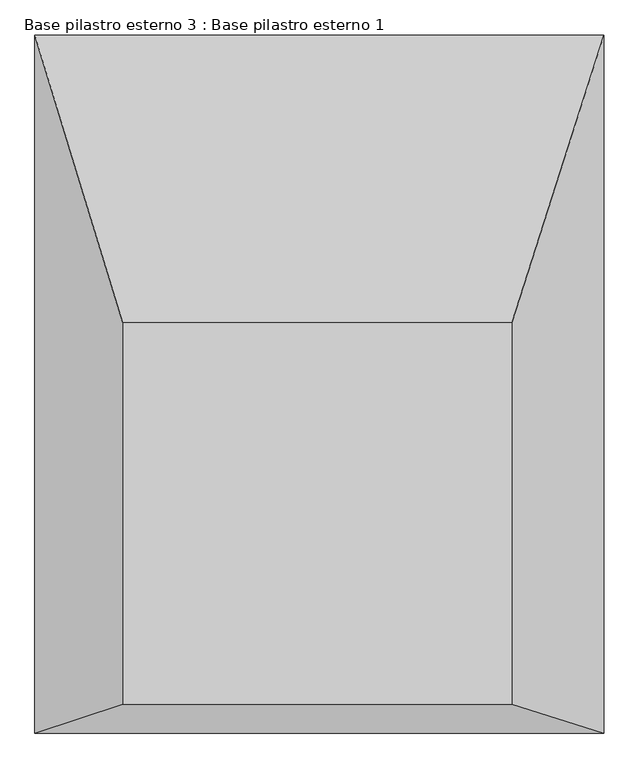
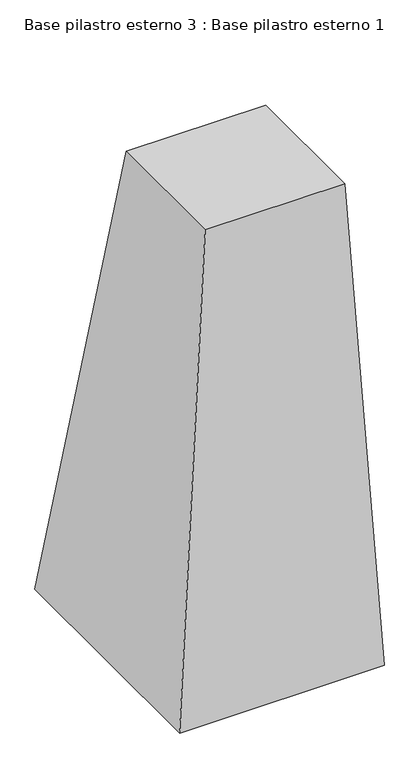
"""IFC4 building model written with IfcOpenShell, lengths in millimetres: column geometry, Base pilastro esterno 3 : Base pilastro esterno 1."""

from ifc_helpers import new_model, si_unit, origin, place, context, project, spatial, faceted_brep, source, transform, mapped, element, save


def base_pilastro_esterno_3_base_pilastro_esterno_1_827131f4(model_context):
    return source(origin(), model_context, "Body", "Brep", [
        faceted_brep([(-81464.6560049, 123740.035984, -277.4358654), (-80861.6607991, 123740.035984, -277.4358654), (-80861.6607991, 124330.2918544, -277.4358654), (-81464.6560049, 124330.2918544, -277.4358654), (-81600.5422484, 123695.5650876, -2496.9800423), (-81600.5422484, 124776.1685911, -2496.9800423), (-80718.6936084, 124776.1685911, -2496.9800423), (-80718.6936084, 123695.5650876, -2496.9800423)], [[[0, 1, 2, 3]], [[4, 5, 6, 7]], [[4, 7, 1, 0]], [[7, 6, 2, 1]], [[6, 5, 3, 2]], [[5, 4, 0, 3]]]),
    ])


if __name__ == "__main__":
    model = new_model("IFC4")
    model_context = context("Model", 3, world=origin())
    ifc_project = project(units=[si_unit("LENGTHUNIT", "METRE", prefix="MILLI")], contexts=[model_context])
    site = spatial("IfcSite", under=ifc_project)
    building = spatial("IfcBuilding", under=site)
    placement = place(None, origin())
    base_pilastro_esterno_3_base_pilastro_esterno_1_shape = base_pilastro_esterno_3_base_pilastro_esterno_1_827131f4(model_context)
    element("IfcColumn", 1, ObjectType="Base pilastro esterno 3 : Base pilastro esterno 1", at=placement, inside=building, context=model_context, shape_type="MappedRepresentation", body=[
        mapped(base_pilastro_esterno_3_base_pilastro_esterno_1_shape, transform((0.0, 0.0, 0.0), x_axis=(1.0, 0.0, 0.0), y_axis=(0.0, 1.0, 0.0), z_axis=(0.0, 0.0, 1.0))),
    ])
    save(model, "model.ifc")
